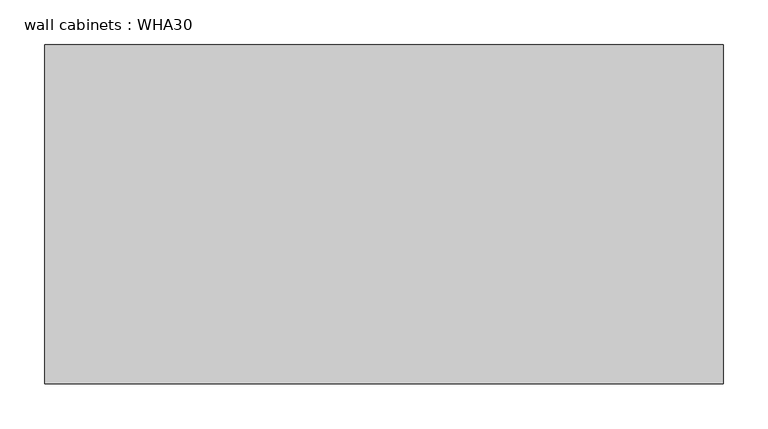
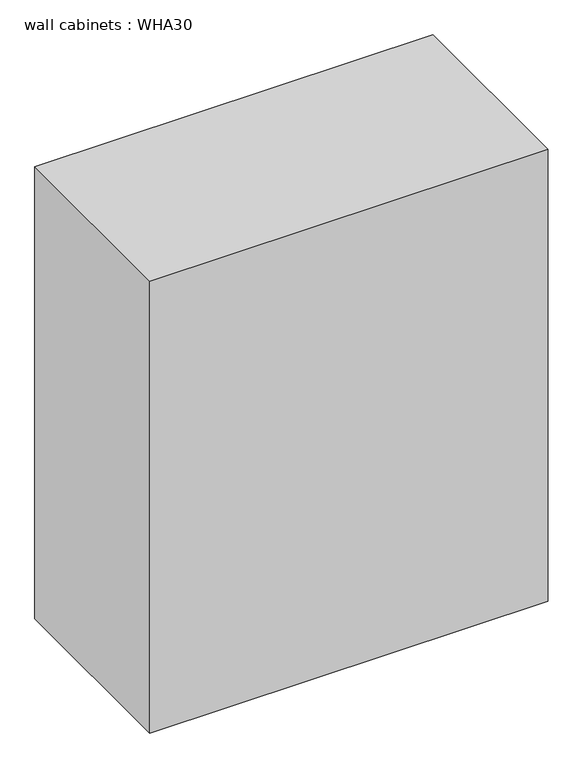
"""IFC4 building model written with IfcOpenShell, lengths in millimetres: furniture geometry, wall cabinets : WHA30."""

import ifcopenshell
import ifcopenshell.guid

model = None  # the IFC model being written
_history = None  # IfcOwnerHistory: only IFC2X3 demands one
_inside = {}  # id of a spatial element -> (the spatial element, [elements in it])
_under = {}  # id of a project, library or spatial element -> (it, [spatial elements below it])
_declared = {}  # id of a project -> (the project, [libraries it declares])
_typed = {}  # id of a type object -> (the type object, [elements of that type])
_made_of = {}  # id of a material, layer set ... -> (it, [elements and type objects made of it])


def new_model(schema):
    """Start an empty IFC model of exactly this schema.

    Asked for "IFC4X3", IfcOpenShell would pick the latest addendum, in which some entities
    have other attributes; the version numbers below select the first issue.
    IFC2X3 requires an IfcOwnerHistory on every rooted entity: one is made here for all.
    """
    global model, _history
    if schema == "IFC4X3":
        model = ifcopenshell.file(schema_version=(4, 3, 0, 0))
    else:
        model = ifcopenshell.file(schema=schema)
    _inside.clear()
    _under.clear()
    _declared.clear()
    _typed.clear()
    _made_of.clear()
    _history = None
    if model.schema == "IFC2X3":
        org = make("IfcOrganization", Name="unknown")
        user = make(
            "IfcPersonAndOrganization",
            ThePerson=make("IfcPerson", FamilyName="unknown"),
            TheOrganization=org,
        )
        app = make(
            "IfcApplication",
            ApplicationDeveloper=org,
            Version="unknown",
            ApplicationFullName="unknown",
            ApplicationIdentifier="unknown",
        )
        _history = make(
            "IfcOwnerHistory",
            OwningUser=user,
            OwningApplication=app,
            ChangeAction="ADDED",
            CreationDate=0,
        )
    return model


def make(cls, **values):
    """One entity of the class cls with the attributes given. An attribute that is None is left unset."""
    return model.create_entity(
        cls, **{name: value for name, value in values.items() if value is not None}
    )


def rooted(cls, **values):
    """An entity with a GlobalId (a new one), such as an element, a storey or a relation."""
    return make(cls, GlobalId=ifcopenshell.guid.new(), OwnerHistory=_history, **values)


def si_unit(unit_type, name, prefix=None):
    """IfcSIUnit, for example si_unit("LENGTHUNIT", "METRE", prefix="MILLI")."""
    return make("IfcSIUnit", UnitType=unit_type, Prefix=prefix, Name=name)


def assignment(units):
    """IfcUnitAssignment: the units of a project."""
    return None if units is None else make("IfcUnitAssignment", Units=units)


def point(xyz):
    """IfcCartesianPoint."""
    return None if xyz is None else make("IfcCartesianPoint", Coordinates=xyz)


def direction(xyz):
    """IfcDirection."""
    return None if xyz is None else make("IfcDirection", DirectionRatios=xyz)


def frame(location, z_axis=None, x_axis=None):
    """IfcAxis2Placement3D, a coordinate frame: its origin and axes. An axis left out is left unset."""
    return make(
        "IfcAxis2Placement3D",
        Location=point(location),
        Axis=direction(z_axis),
        RefDirection=direction(x_axis),
    )


def origin():
    """The frame at (0, 0, 0) with its axes left unset."""
    return frame((0.0, 0.0, 0.0))


def place(relative_to, where):
    """IfcLocalPlacement: puts the frame where relative to a parent placement (None: the world)."""
    return make(
        "IfcLocalPlacement", PlacementRelTo=relative_to, RelativePlacement=where
    )


def context(
    kind, dimensions, precision=None, world=None, true_north=None, identifier=None
):
    """IfcGeometricRepresentationContext, for example the 3D "Model" context."""
    return make(
        "IfcGeometricRepresentationContext",
        ContextIdentifier=identifier,
        ContextType=kind,
        CoordinateSpaceDimension=dimensions,
        Precision=precision,
        WorldCoordinateSystem=world,
        TrueNorth=true_north,
    )


def project(units=None, contexts=None):
    """IfcProject with its units and contexts."""
    return rooted(
        "IfcProject",
        Name="project",
        RepresentationContexts=contexts,
        UnitsInContext=assignment(units),
    )


def spatial(cls, under=None, at=None, **own):
    """A site, building, storey or space (cls), placed at a placement, below another one or the project."""
    s = rooted(cls, ObjectPlacement=at, **own)
    if under is not None:
        _under.setdefault(under.id(), (under, []))[1].append(s)
    return s


def polyline(points):
    """IfcPolyline through the points."""
    return make("IfcPolyline", Points=[point(p) for p in points])


def outline(outer, holes=None, kind="AREA"):
    """IfcArbitraryClosedProfileDef: a profile drawn as a closed curve; with holes, ...WithVoids."""
    if holes is None:
        return make("IfcArbitraryClosedProfileDef", ProfileType=kind, OuterCurve=outer)
    return make(
        "IfcArbitraryProfileDefWithVoids",
        ProfileType=kind,
        OuterCurve=outer,
        InnerCurves=holes,
    )


def extrude(swept, where, along, depth):
    """IfcExtrudedAreaSolid: the profile swept, set in the frame where, extruded along a direction by depth."""
    return make(
        "IfcExtrudedAreaSolid",
        SweptArea=swept,
        Position=where,
        ExtrudedDirection=direction(along),
        Depth=depth,
    )


def shape(context_of_items, identifier, shape_type, items):
    """IfcShapeRepresentation: the items that make up one representation, for example the "Body"."""
    return make(
        "IfcShapeRepresentation",
        ContextOfItems=context_of_items,
        RepresentationIdentifier=identifier,
        RepresentationType=shape_type,
        Items=items,
    )


def source(mapping_origin, context_of_items, identifier, shape_type, items):
    """IfcRepresentationMap: a shape defined once, which mapped items show again and again."""
    return make(
        "IfcRepresentationMap",
        MappingOrigin=mapping_origin,
        MappedRepresentation=shape(context_of_items, identifier, shape_type, items),
    )


def transform(
    local_origin,
    x_axis=None,
    y_axis=None,
    z_axis=None,
    scale=None,
    scale2=None,
    scale3=None,
    uniform=True,
):
    """IfcCartesianTransformationOperator3D, or its non-uniform kind. x_axis, y_axis, z_axis: its Axis1, 2, 3."""
    if uniform:
        return make(
            "IfcCartesianTransformationOperator3D",
            Axis1=direction(x_axis),
            Axis2=direction(y_axis),
            LocalOrigin=point(local_origin),
            Scale=scale,
            Axis3=direction(z_axis),
        )
    return make(
        "IfcCartesianTransformationOperator3DnonUniform",
        Axis1=direction(x_axis),
        Axis2=direction(y_axis),
        LocalOrigin=point(local_origin),
        Scale=scale,
        Axis3=direction(z_axis),
        Scale2=scale2,
        Scale3=scale3,
    )


def mapped(mapping_source, mapping_target):
    """IfcMappedItem: shows the shape of a source again, moved by a transform."""
    return make(
        "IfcMappedItem", MappingSource=mapping_source, MappingTarget=mapping_target
    )


def made_of(thing, what):
    """Note that an element or type object is made of a material, layer set ...; save() writes the relation."""
    if what is not None:
        _made_of.setdefault(what.id(), (what, []))[1].append(thing)
    return thing


def element(
    cls,
    number,
    at=None,
    inside=None,
    cuts=None,
    type_object=None,
    material=None,
    context=None,
    identifier="Body",
    shape_type=None,
    held_by="IfcProductDefinitionShape",
    body=None,
    shapes=None,
    **own,
):
    """One element of the class cls, such as IfcWall. Its Tag is "e" and its number.

    at: its placement. inside: the storey or other place that contains it. cuts: it is an
    opening in that element (IfcRelVoidsElement). A single representation is given by context,
    identifier, shape_type and body (its items); several are given by shapes. held_by: the class
    of the entity that holds the representations. save() writes the other relations.
    """
    e = rooted(cls, Tag="e%d" % number, ObjectPlacement=at, **own)
    if body is not None:
        shapes = [shape(context, identifier, shape_type, body)]
    if shapes is not None:
        e.Representation = make(held_by, Representations=shapes)
    if inside is not None:
        _inside.setdefault(inside.id(), (inside, []))[1].append(e)
    if cuts is not None:
        rooted(
            "IfcRelVoidsElement", RelatingBuildingElement=cuts, RelatedOpeningElement=e
        )
    if type_object is not None:
        _typed.setdefault(type_object.id(), (type_object, []))[1].append(e)
    return made_of(e, material)


def aggregate(whole, parts):
    """IfcRelAggregates: a whole, such as a stair, and the parts it consists of."""
    return rooted("IfcRelAggregates", RelatingObject=whole, RelatedObjects=parts)


def save(model, path):
    """Write the relations noted so far, then the file.

    IfcRelAggregates (storeys below a building ...), IfcRelContainedInSpatialStructure (elements
    in a storey), IfcRelDefinesByType, IfcRelAssociatesMaterial and IfcRelDeclares: one each for
    every whole, place, type object, material and project.
    """
    for whole, parts in _under.values():
        aggregate(whole, parts)
    for where, things in _inside.values():
        rooted(
            "IfcRelContainedInSpatialStructure",
            RelatedElements=things,
            RelatingStructure=where,
        )
    for kind, things in _typed.values():
        rooted("IfcRelDefinesByType", RelatedObjects=things, RelatingType=kind)
    for what, things in _made_of.values():
        rooted("IfcRelAssociatesMaterial", RelatedObjects=things, RelatingMaterial=what)
    for by, libraries in _declared.values():
        rooted("IfcRelDeclares", RelatingContext=by, RelatedDefinitions=libraries)
    model.write(path)


def wall_cabinets_wha30_42f9a63a(model_context):
    return source(origin(), model_context, "Body", "SweptSolid", [
        extrude(outline(polyline([(-286.0622951, -228.6), (-1048.0622951, -228.6), (-1048.0622951, 152.4), (-286.0622951, 152.4), (-286.0622951, -228.6)])), frame((0.0, 0.0, 1397.0), z_axis=(0.0, 0.0, 1.0), x_axis=(1.0, 0.0, 0.0)), (0.0, 0.0, 1.0), 914.4),
    ])


if __name__ == "__main__":
    model = new_model("IFC4")
    model_context = context("Model", 3, world=origin())
    ifc_project = project(units=[si_unit("LENGTHUNIT", "METRE", prefix="MILLI")], contexts=[model_context])
    site = spatial("IfcSite", under=ifc_project)
    building = spatial("IfcBuilding", under=site)
    placement = place(None, origin())
    wall_cabinets_wha30_shape = wall_cabinets_wha30_42f9a63a(model_context)
    element("IfcFurniture", 1, ObjectType="wall cabinets : WHA30", at=placement, inside=building, context=model_context, shape_type="MappedRepresentation", body=[
        mapped(wall_cabinets_wha30_shape, transform((0.0, 0.0, 0.0), x_axis=(1.0, 0.0, 0.0), y_axis=(0.0, 1.0, 0.0), z_axis=(0.0, 0.0, 1.0))),
    ])
    save(model, "model.ifc")
